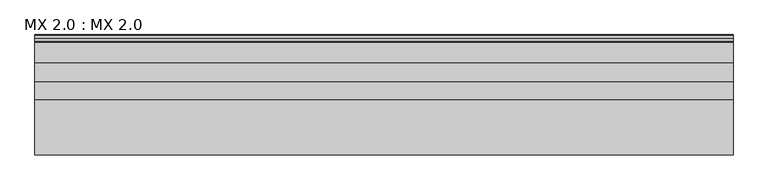
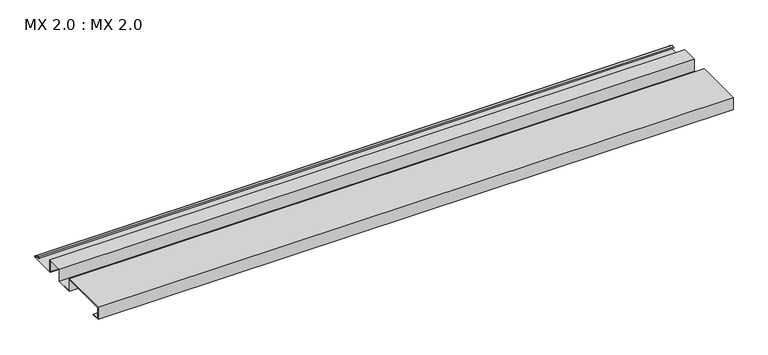
"""IFC4 building model written with IfcOpenShell, lengths in millimetres: proxy geometry, MX 2.0 : MX 2.0."""

from ifc_helpers import new_model, si_unit, point, frame, frame_2d, origin, place, context, project, spatial, polyline, circle_curve, trimmed, segment, composite_curve, outline, extrude, source, transform, mapped, element, save


def mx_2_0_mx_2_0_cc60f4f4(model_context):
    return source(origin(), model_context, "Body", "SweptSolid", [
        extrude(outline(composite_curve([segment(polyline([(0.0, 0.0), (0.0, 38.0), (150.0, 38.0), (150.0, 0.0), (200.0, 0.0), (200.0, 38.0), (250.0, 38.0), (250.0, 0.0), (325.0510156, 0.0)]), True, "CONTINUOUS"), segment(trimmed(circle_curve(frame_2d((324.3094696, 1.9153551)), 2.0538928), [point((325.0510156, 0.0))], [point((325.1748462, 3.778041))], True, "CARTESIAN"), True, "CONTINUOUS"), segment(polyline([(325.1748462, 3.778041), (308.7874714, 6.923107)]), True, "CONTINUOUS"), segment(trimmed(circle_curve(frame_2d((309.4078886, 8.6005442)), 1.7884947), [point((308.7874714, 6.923107))], [point((308.9525789, 10.3301125))], False, "CARTESIAN"), True, "CONTINUOUS"), segment(polyline([(308.9525789, 10.3301125), (316.459338, 11.6715995), (316.635255, 10.6871945), (309.1762081, 9.3542338)]), True, "CONTINUOUS"), segment(trimmed(circle_curve(frame_2d((309.4078886, 8.6005442)), 0.7884947), [point((309.1762081, 9.3542338))], [point((309.0735117, 7.8864603))], True, "CARTESIAN"), True, "CONTINUOUS"), segment(polyline([(309.0735117, 7.8864603), (325.4722719, 4.7392091)]), True, "CONTINUOUS"), segment(trimmed(circle_curve(frame_2d((324.3094696, 1.9153551)), 3.0538928), [point((325.4722719, 4.7392091))], [point((325.2188462, -1.0))], False, "CARTESIAN"), True, "CONTINUOUS"), segment(polyline([(325.2188462, -1.0), (249.0, -1.0), (249.0, 37.0), (201.0, 37.0), (201.0, -1.0), (149.0, -1.0), (149.0, 37.0), (1.0, 37.0), (1.0, 1.0), (25.0, 1.0), (25.0, 0.0), (0.0, 0.0)]), True, "CONTINUOUS")], self_intersect=False)), frame((0.0, 0.0, 0.0), z_axis=(1.0, 0.0, 0.0), x_axis=(0.0, 1.0, 0.0)), (0.0, 0.0, 1.0), 1900.0),
    ])


if __name__ == "__main__":
    model = new_model("IFC4")
    model_context = context("Model", 3, world=origin())
    ifc_project = project(units=[si_unit("LENGTHUNIT", "METRE", prefix="MILLI")], contexts=[model_context])
    site = spatial("IfcSite", under=ifc_project)
    building = spatial("IfcBuilding", under=site)
    placement = place(None, origin())
    mx_2_0_mx_2_0_shape = mx_2_0_mx_2_0_cc60f4f4(model_context)
    element("IfcBuildingElementProxy", 1, Name="MX 2.0 : MX 2.0", ObjectType="MX 2.0 : MX 2.0", at=placement, inside=building, context=model_context, shape_type="MappedRepresentation", body=[
        mapped(mx_2_0_mx_2_0_shape, transform((0.0, 0.0, 0.0), x_axis=(1.0, 0.0, 0.0), y_axis=(0.0, 1.0, 0.0), z_axis=(0.0, 0.0, 1.0))),
    ])
    save(model, "model.ifc")
